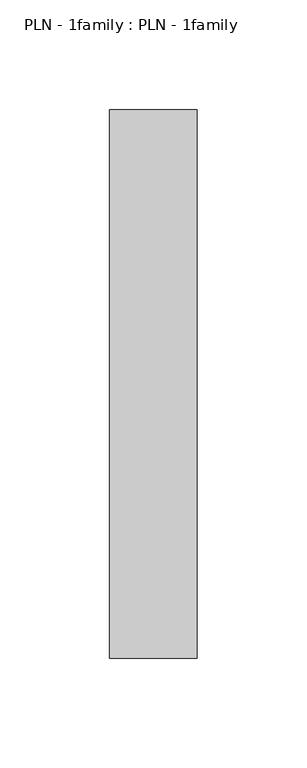
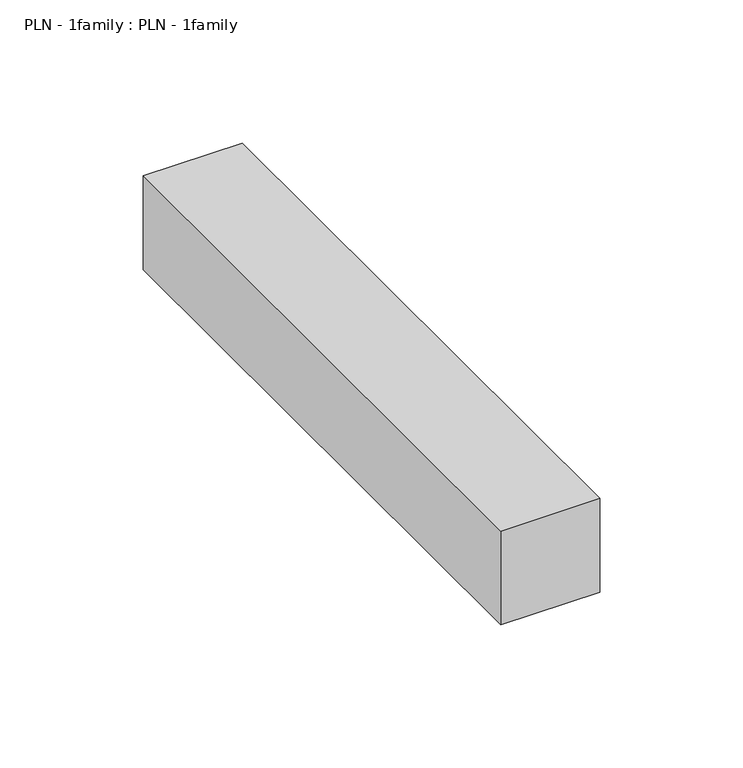
"""IFC4 building model written with IfcOpenShell, lengths in millimetres: proxy geometry, PLN - 1family : PLN - 1family."""

from ifc_helpers import new_model, si_unit, frame, origin, place, context, project, spatial, polyline, outline, extrude, source, transform, mapped, element, save


def pln_1family_pln_1family_12d8277a(model_context):
    return source(origin(), model_context, "Body", "SweptSolid", [
        extrude(outline(polyline([(0.0, 250.0), (40.0, 250.0), (40.0, 0.0), (0.0, 0.0), (0.0, 250.0)])), frame((0.0, 0.0, 350.0), z_axis=(0.0, 0.0, 1.0), x_axis=(1.0, 0.0, 0.0)), (0.0, 0.0, 1.0), 40.0),
    ])


if __name__ == "__main__":
    model = new_model("IFC4")
    model_context = context("Model", 3, world=origin())
    ifc_project = project(units=[si_unit("LENGTHUNIT", "METRE", prefix="MILLI")], contexts=[model_context])
    site = spatial("IfcSite", under=ifc_project)
    building = spatial("IfcBuilding", under=site)
    placement = place(None, origin())
    pln_1family_pln_1family_shape = pln_1family_pln_1family_12d8277a(model_context)
    element("IfcBuildingElementProxy", 1, Name="PLN - 1family : PLN - 1family", ObjectType="PLN - 1family : PLN - 1family", at=placement, inside=building, context=model_context, shape_type="MappedRepresentation", body=[
        mapped(pln_1family_pln_1family_shape, transform((0.0, 0.0, 0.0), x_axis=(1.0, 0.0, 0.0), y_axis=(0.0, 1.0, 0.0), z_axis=(0.0, 0.0, 1.0))),
    ])
    save(model, "model.ifc")
